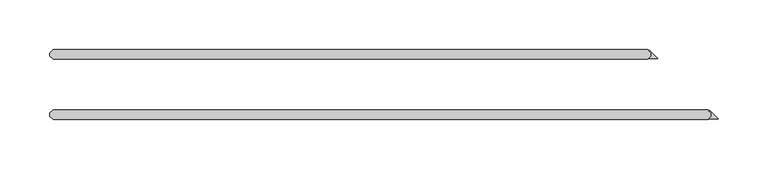
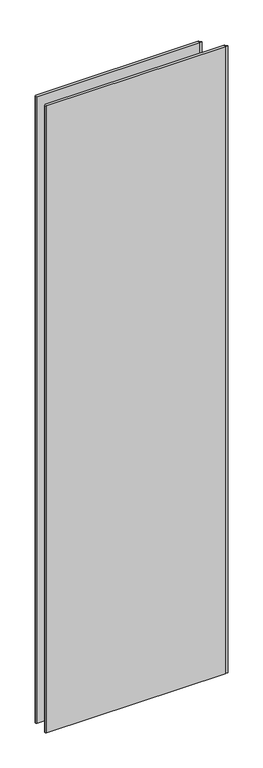
"""IFC4 building model written with IfcOpenShell, lengths in millimetres: plate geometry."""

from ifc_helpers import new_model, si_unit, origin, origin_with_axes, place, context, project, spatial, polyline, outline, extrude, source, transform, mapped, element, save


def plate_c23bdc43(model_context):
    return source(origin(), model_context, "Body", "SweptSolid", [
        extrude(outline(polyline([(344.555593, -31.75), (344.555593, -28.575), (342.174343, -26.19375), (342.735609, -25.632484), (351.234375, -34.13125), (342.174343, -34.13125), (344.555593, -31.75)])), origin_with_axes(), (0.0, 0.0, 1.0), 2428.7789267),
        extrude(outline(polyline([(284.230593, 28.575), (284.230593, 31.75), (281.849343, 34.13125), (282.410609, 34.692516), (290.909375, 26.19375), (281.849343, 26.19375), (284.230593, 28.575)])), origin_with_axes(), (0.0, 0.0, 1.0), 2428.7789267),
        extrude(outline(polyline([(281.055593, 25.4), (-313.928125, 25.4), (-317.103125, 28.575), (-317.103125, 31.75), (-313.928125, 34.925), (281.055593, 34.925), (284.230593, 31.75), (284.230593, 28.575), (281.055593, 25.4)])), origin_with_axes(), (0.0, 0.0, 1.0), 2428.7789267),
        extrude(outline(polyline([(341.380593, -34.925), (-313.928125, -34.925), (-317.103125, -31.75), (-317.103125, -28.575), (-313.928125, -25.4), (341.380593, -25.4), (344.555593, -28.575), (344.555593, -31.75), (341.380593, -34.925)])), origin_with_axes(), (0.0, 0.0, 1.0), 2428.7789267),
    ])


if __name__ == "__main__":
    model = new_model("IFC4")
    model_context = context("Model", 3, world=origin())
    ifc_project = project(units=[si_unit("LENGTHUNIT", "METRE", prefix="MILLI")], contexts=[model_context])
    site = spatial("IfcSite", under=ifc_project)
    building = spatial("IfcBuilding", under=site)
    placement = place(None, origin())
    plate_shape = plate_c23bdc43(model_context)
    element("IfcPlate", 1, at=placement, inside=building, context=model_context, shape_type="MappedRepresentation", body=[
        mapped(plate_shape, transform((0.0, 0.0, 0.0), x_axis=(1.0, 0.0, 0.0), y_axis=(0.0, 1.0, 0.0), z_axis=(0.0, 0.0, 1.0))),
    ])
    save(model, "model.ifc")
